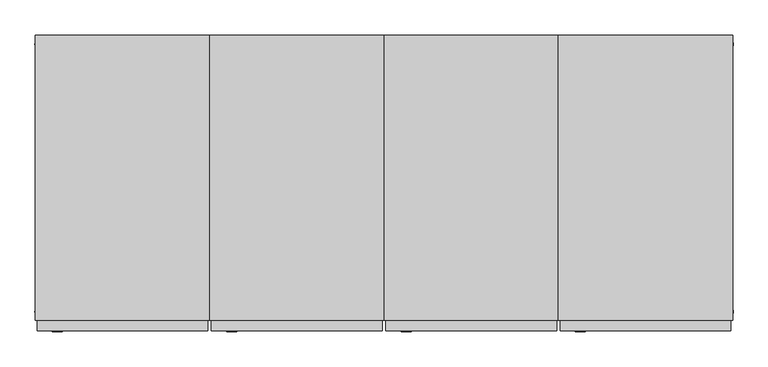
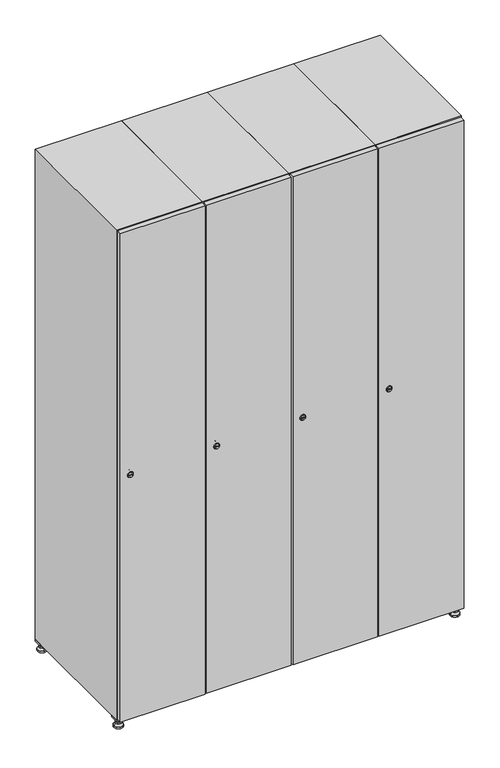
"""IFC4 building model written with IfcOpenShell, lengths in millimetres: furniture geometry."""

from ifc_helpers import new_model, si_unit, point, frame, frame_2d, origin, origin_with_axes, place, context, project, spatial, polyline, circle_curve, trimmed, segment, composite_curve, outline, extrude, faceted_brep, source, transform, mapped, element, save
from ifc_brep_helpers import plane_surface, revolved_surface, advanced_brep


def furniture_bf422cd2(model_context):
    return source(origin(), model_context, "Body", "SolidModel", [
        extrude(outline(polyline([(1000.0, 245.0), (1000.0, 215.0), (970.0, 215.0), (970.0, 245.0), (1000.0, 245.0)]), holes=[polyline([(998.0, 243.0), (972.0, 243.0), (972.0, 217.0), (998.0, 217.0), (998.0, 243.0)])]), frame((0.0, 0.0, 28.5), z_axis=(0.0, 0.0, 1.0), x_axis=(1.0, 0.0, 0.0)), (0.0, 0.0, 1.0), 6.5),
        extrude(outline(polyline([(970.0, -245.0), (970.0, -215.0), (1000.0, -215.0), (1000.0, -245.0), (970.0, -245.0)]), holes=[polyline([(972.0, -243.0), (998.0, -243.0), (998.0, -217.0), (972.0, -217.0), (972.0, -243.0)])]), frame((0.0, 0.0, 28.5), z_axis=(0.0, 0.0, 1.0), x_axis=(1.0, 0.0, 0.0)), (0.0, 0.0, 1.0), 6.5),
        extrude(outline(polyline([(-170.0, 245.0), (-170.0, 215.0), (-200.0, 215.0), (-200.0, 245.0), (-170.0, 245.0)]), holes=[polyline([(-172.0, 243.0), (-198.0, 243.0), (-198.0, 217.0), (-172.0, 217.0), (-172.0, 243.0)])]), frame((0.0, 0.0, 28.5), z_axis=(0.0, 0.0, 1.0), x_axis=(1.0, 0.0, 0.0)), (0.0, 0.0, 1.0), 6.5),
        extrude(outline(polyline([(-170.0, -215.0), (-170.0, -245.0), (-200.0, -245.0), (-200.0, -215.0), (-170.0, -215.0)]), holes=[polyline([(-198.0, -243.0), (-172.0, -243.0), (-172.0, -217.0), (-198.0, -217.0), (-198.0, -243.0)])]), frame((0.0, 0.0, 28.5), z_axis=(0.0, 0.0, 1.0), x_axis=(1.0, 0.0, 0.0)), (0.0, 0.0, 1.0), 6.5),
        extrude(outline(composite_curve([segment(trimmed(circle_curve(frame_2d((-185.0, 230.0)), 5.0), [point((-180.0, 230.0))], [point((-190.0, 230.0))], False, "CARTESIAN"), True, "CONTINUOUS"), segment(trimmed(circle_curve(frame_2d((-185.0, 230.0)), 5.0), [point((-190.0, 230.0))], [point((-180.0, 230.0))], False, "CARTESIAN"), True, "CONTINUOUS")], self_intersect=False)), frame((0.0, 0.0, 19.6), z_axis=(0.0, 0.0, 1.0), x_axis=(1.0, 0.0, 0.0)), (0.0, 0.0, 1.0), 15.4),
        extrude(outline(composite_curve([segment(trimmed(circle_curve(frame_2d((-185.0, -230.0)), 5.0), [point((-180.0, -230.0))], [point((-190.0, -230.0))], False, "CARTESIAN"), True, "CONTINUOUS"), segment(trimmed(circle_curve(frame_2d((-185.0, -230.0)), 5.0), [point((-190.0, -230.0))], [point((-180.0, -230.0))], False, "CARTESIAN"), True, "CONTINUOUS")], self_intersect=False)), frame((0.0, 0.0, 19.6), z_axis=(0.0, 0.0, 1.0), x_axis=(1.0, 0.0, 0.0)), (0.0, 0.0, 1.0), 15.4),
        extrude(outline(composite_curve([segment(trimmed(circle_curve(frame_2d((985.0, 230.0)), 5.0), [point((990.0, 230.0))], [point((980.0, 230.0))], False, "CARTESIAN"), True, "CONTINUOUS"), segment(trimmed(circle_curve(frame_2d((985.0, 230.0)), 5.0), [point((980.0, 230.0))], [point((990.0, 230.0))], False, "CARTESIAN"), True, "CONTINUOUS")], self_intersect=False)), frame((0.0, 0.0, 19.6), z_axis=(0.0, 0.0, 1.0), x_axis=(1.0, 0.0, 0.0)), (0.0, 0.0, 1.0), 15.4),
        extrude(outline(polyline([(973.4529946, 230.0), (979.2264973, 240.0), (990.7735027, 240.0), (996.5470054, 230.0), (990.7735027, 220.0), (979.2264973, 220.0), (973.4529946, 230.0)])), frame((0.0, 0.0, 13.6), z_axis=(0.0, 0.0, 1.0), x_axis=(1.0, 0.0, 0.0)), (0.0, 0.0, 1.0), 6.0),
        extrude(outline(composite_curve([segment(trimmed(circle_curve(frame_2d((985.0, -230.0)), 5.0), [point((990.0, -230.0))], [point((980.0, -230.0))], False, "CARTESIAN"), True, "CONTINUOUS"), segment(trimmed(circle_curve(frame_2d((985.0, -230.0)), 5.0), [point((980.0, -230.0))], [point((990.0, -230.0))], False, "CARTESIAN"), True, "CONTINUOUS")], self_intersect=False)), frame((0.0, 0.0, 19.6), z_axis=(0.0, 0.0, 1.0), x_axis=(1.0, 0.0, 0.0)), (0.0, 0.0, 1.0), 15.4),
        extrude(outline(polyline([(973.4529946, -230.0), (979.2264973, -220.0), (990.7735027, -220.0), (996.5470054, -230.0), (990.7735027, -240.0), (979.2264973, -240.0), (973.4529946, -230.0)])), frame((0.0, 0.0, 13.6), z_axis=(0.0, 0.0, 1.0), x_axis=(1.0, 0.0, 0.0)), (0.0, 0.0, 1.0), 6.0),
        extrude(outline(composite_curve([segment(trimmed(circle_curve(frame_2d((985.0, 230.0)), 5.0), [point((990.0, 230.0))], [point((980.0, 230.0))], False, "CARTESIAN"), True, "CONTINUOUS"), segment(trimmed(circle_curve(frame_2d((985.0, 230.0)), 5.0), [point((980.0, 230.0))], [point((990.0, 230.0))], False, "CARTESIAN"), True, "CONTINUOUS")], self_intersect=False)), frame((0.0, 0.0, 12.1), z_axis=(0.0, 0.0, 1.0), x_axis=(1.0, 0.0, 0.0)), (0.0, 0.0, 1.0), 1.5),
        extrude(outline(composite_curve([segment(trimmed(circle_curve(frame_2d((985.0, -230.0)), 5.0), [point((990.0, -230.0))], [point((980.0, -230.0))], False, "CARTESIAN"), True, "CONTINUOUS"), segment(trimmed(circle_curve(frame_2d((985.0, -230.0)), 5.0), [point((980.0, -230.0))], [point((990.0, -230.0))], False, "CARTESIAN"), True, "CONTINUOUS")], self_intersect=False)), frame((0.0, 0.0, 12.1), z_axis=(0.0, 0.0, 1.0), x_axis=(1.0, 0.0, 0.0)), (0.0, 0.0, 1.0), 1.5),
        extrude(outline(polyline([(-196.5470054, 230.0), (-190.7735027, 240.0), (-179.2264973, 240.0), (-173.4529946, 230.0), (-179.2264973, 220.0), (-190.7735027, 220.0), (-196.5470054, 230.0)])), frame((0.0, 0.0, 13.6), z_axis=(0.0, 0.0, 1.0), x_axis=(1.0, 0.0, 0.0)), (0.0, 0.0, 1.0), 6.0),
        extrude(outline(polyline([(-196.5470054, -230.0), (-190.7735027, -220.0), (-179.2264973, -220.0), (-173.4529946, -230.0), (-179.2264973, -240.0), (-190.7735027, -240.0), (-196.5470054, -230.0)])), frame((0.0, 0.0, 13.6), z_axis=(0.0, 0.0, 1.0), x_axis=(1.0, 0.0, 0.0)), (0.0, 0.0, 1.0), 6.0),
        extrude(outline(composite_curve([segment(trimmed(circle_curve(frame_2d((-185.0, 230.0)), 5.0), [point((-185.0, 235.0))], [point((-185.0, 225.0))], False, "CARTESIAN"), True, "CONTINUOUS"), segment(trimmed(circle_curve(frame_2d((-185.0, 230.0)), 5.0), [point((-185.0, 225.0))], [point((-185.0, 235.0))], False, "CARTESIAN"), True, "CONTINUOUS")], self_intersect=False)), frame((0.0, 0.0, 12.1), z_axis=(0.0, 0.0, 1.0), x_axis=(1.0, 0.0, 0.0)), (0.0, 0.0, 1.0), 1.5),
        extrude(outline(composite_curve([segment(trimmed(circle_curve(frame_2d((-185.0, -230.0)), 5.0), [point((-180.0, -230.0))], [point((-190.0, -230.0))], False, "CARTESIAN"), True, "CONTINUOUS"), segment(trimmed(circle_curve(frame_2d((-185.0, -230.0)), 5.0), [point((-190.0, -230.0))], [point((-180.0, -230.0))], False, "CARTESIAN"), True, "CONTINUOUS")], self_intersect=False)), frame((0.0, 0.0, 12.1), z_axis=(0.0, 0.0, 1.0), x_axis=(1.0, 0.0, 0.0)), (0.0, 0.0, 1.0), 1.5),
        extrude(outline(composite_curve([segment(trimmed(circle_curve(frame_2d((985.0, 230.0)), 15.75), [point((1000.75, 230.0))], [point((969.25, 230.0))], False, "CARTESIAN"), True, "CONTINUOUS"), segment(trimmed(circle_curve(frame_2d((985.0, 230.0)), 15.75), [point((969.25, 230.0))], [point((1000.75, 230.0))], False, "CARTESIAN"), True, "CONTINUOUS")], self_intersect=False)), origin_with_axes(), (0.0, 0.0, 1.0), 5.1),
        extrude(outline(composite_curve([segment(trimmed(circle_curve(frame_2d((985.0, -230.0)), 15.75), [point((985.0, -214.25))], [point((985.0, -245.75))], False, "CARTESIAN"), True, "CONTINUOUS"), segment(trimmed(circle_curve(frame_2d((985.0, -230.0)), 15.75), [point((985.0, -245.75))], [point((985.0, -214.25))], False, "CARTESIAN"), True, "CONTINUOUS")], self_intersect=False)), origin_with_axes(), (0.0, 0.0, 1.0), 5.1),
        extrude(outline(composite_curve([segment(trimmed(circle_curve(frame_2d((-185.0, -230.0)), 15.75), [point((-169.25, -230.0))], [point((-200.75, -230.0))], False, "CARTESIAN"), True, "CONTINUOUS"), segment(trimmed(circle_curve(frame_2d((-185.0, -230.0)), 15.75), [point((-200.75, -230.0))], [point((-169.25, -230.0))], False, "CARTESIAN"), True, "CONTINUOUS")], self_intersect=False)), origin_with_axes(), (0.0, 0.0, 1.0), 5.1),
        extrude(outline(composite_curve([segment(trimmed(circle_curve(frame_2d((-185.0, 230.0)), 15.75), [point((-169.25, 230.0))], [point((-200.75, 230.0))], False, "CARTESIAN"), True, "CONTINUOUS"), segment(trimmed(circle_curve(frame_2d((-185.0, 230.0)), 15.75), [point((-200.75, 230.0))], [point((-169.25, 230.0))], False, "CARTESIAN"), True, "CONTINUOUS")], self_intersect=False)), origin_with_axes(), (0.0, 0.0, 1.0), 5.1),
        advanced_brep(
        [(-185.0, 239.5, 12.1), (-185.0, 220.5, 12.1), (-185.0, 214.25, 5.1), (-185.0, 245.75, 5.1)],
        [
            (0, 1, circle_curve(frame((-185.0, 230.0, 12.1), z_axis=(0.0, 0.0, -1.0), x_axis=(0.0, 1.0, 0.0)), 9.5)),
            (1, 2),
            (2, 3, circle_curve(frame((-185.0, 230.0, 5.1), z_axis=(0.0, 0.0, 1.0), x_axis=(0.0, 1.0, 0.0)), 15.75)),
            (3, 0),
            (1, 0, circle_curve(frame((-185.0, 230.0, 12.1), z_axis=(0.0, 0.0, -1.0), x_axis=(0.0, -1.0, 0.0)), 9.5)),
            (3, 2, circle_curve(frame((-185.0, 230.0, 5.1), z_axis=(0.0, 0.0, 1.0), x_axis=(0.0, -1.0, 0.0)), 15.75)),
        ],
        [
            revolved_surface(polyline([(-185.0, 220.5, 12.099999999999998), (-185.0, 214.25, 5.099999999999998)]), (-185.0, 230.0, 22.74), (0.0, 0.0, -1.0)),
            revolved_surface(polyline([(-185.0, 239.5, 12.099999999999998), (-185.0, 245.75, 5.099999999999998)]), (-185.0, 230.0, 22.74), (0.0, 0.0, -1.0)),
            plane_surface(frame((-185.0, 230.0, 5.1), z_axis=(0.0, 0.0, -1.0), x_axis=(1.0, 0.0, 0.0))),
            plane_surface(frame((-185.0, 230.0, 12.1), z_axis=(0.0, 0.0, 1.0), x_axis=(1.0, 0.0, 0.0))),
        ],
        [
            (0, [[1, 2, 3, 4]]),
            (1, [[5, -4, 6, -2]]),
            (2, [[-3, -6]]),
            (3, [[-5, -1]]),
        ],
    ),
        advanced_brep(
        [(985.0, 239.5, 12.1), (985.0, 220.5, 12.1), (985.0, 214.25, 5.1), (985.0, 245.75, 5.1)],
        [
            (0, 1, circle_curve(frame((985.0, 230.0, 12.1), z_axis=(0.0, 0.0, -1.0), x_axis=(0.0, 1.0, 0.0)), 9.5)),
            (1, 2),
            (2, 3, circle_curve(frame((985.0, 230.0, 5.1), z_axis=(0.0, 0.0, 1.0), x_axis=(0.0, 1.0, 0.0)), 15.75)),
            (3, 0),
            (1, 0, circle_curve(frame((985.0, 230.0, 12.1), z_axis=(0.0, 0.0, -1.0), x_axis=(0.0, -1.0, 0.0)), 9.5)),
            (3, 2, circle_curve(frame((985.0, 230.0, 5.1), z_axis=(0.0, 0.0, 1.0), x_axis=(0.0, -1.0, 0.0)), 15.75)),
        ],
        [
            revolved_surface(polyline([(985.0, 220.5, 12.099999999999998), (985.0, 214.25, 5.099999999999998)]), (985.0, 230.0, 22.74), (0.0, 0.0, -1.0)),
            revolved_surface(polyline([(985.0, 239.5, 12.099999999999998), (985.0, 245.75, 5.099999999999998)]), (985.0, 230.0, 22.74), (0.0, 0.0, -1.0)),
            plane_surface(frame((985.0, 230.0, 5.1), z_axis=(0.0, 0.0, -1.0), x_axis=(1.0, 0.0, 0.0))),
            plane_surface(frame((985.0, 230.0, 12.1), z_axis=(0.0, 0.0, 1.0), x_axis=(1.0, 0.0, 0.0))),
        ],
        [
            (0, [[1, 2, 3, 4]]),
            (1, [[5, -4, 6, -2]]),
            (2, [[-3, -6]]),
            (3, [[-5, -1]]),
        ],
    ),
        advanced_brep(
        [(1000.75, -230.0, 5.1), (969.25, -230.0, 5.1), (975.5, -230.0, 12.1), (994.5, -230.0, 12.1)],
        [
            (0, 1, circle_curve(frame((985.0, -230.0, 5.1), z_axis=(0.0, 0.0, 1.0), x_axis=(1.0, 0.0, 0.0)), 15.75)),
            (1, 2),
            (2, 3, circle_curve(frame((985.0, -230.0, 12.1), z_axis=(0.0, 0.0, -1.0), x_axis=(1.0, 0.0, 0.0)), 9.5)),
            (3, 0),
            (1, 0, circle_curve(frame((985.0, -230.0, 5.1), z_axis=(0.0, 0.0, 1.0), x_axis=(-1.0, 0.0, 0.0)), 15.75)),
            (3, 2, circle_curve(frame((985.0, -230.0, 12.1), z_axis=(0.0, 0.0, -1.0), x_axis=(-1.0, 0.0, 0.0)), 9.5)),
        ],
        [
            revolved_surface(polyline([(994.5, -230.0, 12.099999999999998), (1000.75, -230.0, 5.099999999999998)]), (985.0, -230.0, 22.74), (0.0, 0.0, -1.0)),
            revolved_surface(polyline([(975.5, -230.0, 12.099999999999998), (969.25, -230.0, 5.099999999999998)]), (985.0, -230.0, 22.74), (0.0, 0.0, -1.0)),
            plane_surface(frame((985.0, -230.0, 12.1), z_axis=(0.0, 0.0, 1.0), x_axis=(0.0, 1.0, 0.0))),
            plane_surface(frame((985.0, -230.0, 5.1), z_axis=(0.0, 0.0, -1.0), x_axis=(0.0, 1.0, 0.0))),
        ],
        [
            (0, [[1, 2, 3, 4]]),
            (1, [[5, -4, 6, -2]]),
            (2, [[-3, -6]]),
            (3, [[-5, -1]]),
        ],
    ),
        advanced_brep(
        [(-169.25, -230.0, 5.1), (-200.75, -230.0, 5.1), (-194.5, -230.0, 12.1), (-175.5, -230.0, 12.1)],
        [
            (0, 1, circle_curve(frame((-185.0, -230.0, 5.1), z_axis=(0.0, 0.0, 1.0), x_axis=(1.0, 0.0, 0.0)), 15.75)),
            (1, 2),
            (2, 3, circle_curve(frame((-185.0, -230.0, 12.1), z_axis=(0.0, 0.0, -1.0), x_axis=(1.0, 0.0, 0.0)), 9.5)),
            (3, 0),
            (1, 0, circle_curve(frame((-185.0, -230.0, 5.1), z_axis=(0.0, 0.0, 1.0), x_axis=(-1.0, 0.0, 0.0)), 15.75)),
            (3, 2, circle_curve(frame((-185.0, -230.0, 12.1), z_axis=(0.0, 0.0, -1.0), x_axis=(-1.0, 0.0, 0.0)), 9.5)),
        ],
        [
            revolved_surface(polyline([(-175.5, -230.0, 12.099999999999998), (-169.25, -230.0, 5.099999999999998)]), (-185.0, -230.0, 22.74), (0.0, 0.0, -1.0)),
            revolved_surface(polyline([(-194.5, -230.0, 12.099999999999998), (-200.75, -230.0, 5.099999999999998)]), (-185.0, -230.0, 22.74), (0.0, 0.0, -1.0)),
            plane_surface(frame((-185.0, -230.0, 12.1), z_axis=(0.0, 0.0, 1.0), x_axis=(0.0, 1.0, 0.0))),
            plane_surface(frame((-185.0, -230.0, 5.1), z_axis=(0.0, 0.0, -1.0), x_axis=(0.0, 1.0, 0.0))),
        ],
        [
            (0, [[1, 2, 3, 4]]),
            (1, [[5, -4, 6, -2]]),
            (2, [[-3, -6]]),
            (3, [[-5, -1]]),
        ],
    ),
        extrude(outline(composite_curve([segment(trimmed(circle_curve(frame_2d((935.0, 711.2010534)), 7.0), [point((942.0, 711.2010534))], [point((928.0, 711.2010534))], False, "CARTESIAN"), True, "CONTINUOUS"), segment(polyline([(928.0, 711.2010534), (928.0, 739.2010534)]), True, "CONTINUOUS"), segment(trimmed(circle_curve(frame_2d((935.0, 739.2010534)), 7.0), [point((928.0, 739.2010534))], [point((942.0, 739.2010534))], False, "CARTESIAN"), True, "CONTINUOUS"), segment(polyline([(942.0, 739.2010534), (942.0, 711.2010534)]), True, "CONTINUOUS")], self_intersect=False)), frame((0.0, -245.0, 0.0), z_axis=(0.0, 1.0, 0.0), x_axis=(0.0, 0.0, 1.0)), (0.0, 0.0, 1.0), 2.0),
        advanced_brep(
        [(746.5, -265.2, 935.0), (729.5, -265.2, 935.0), (733.0, -265.2, 933.75), (733.0, -265.2, 936.25), (743.0, -265.2, 936.25), (743.0, -265.2, 933.75), (748.5, -263.0, 935.0), (727.5, -263.0, 935.0), (733.0, -263.0, 936.25), (733.0, -263.0, 933.75), (743.0, -263.0, 933.75), (743.0, -263.0, 936.25)],
        [
            (0, 1, circle_curve(frame((738.0, -265.2, 935.0), z_axis=(0.0, -1.0, 0.0), x_axis=(1.0, 0.0, 0.0)), 8.5)),
            (1, 0, circle_curve(frame((738.0, -265.2, 935.0), z_axis=(0.0, -1.0, 0.0), x_axis=(-1.0, 0.0, 0.0)), 8.5)),
            (2, 3),
            (3, 4),
            (4, 5),
            (5, 2),
            (6, 7, circle_curve(frame((738.0, -263.0, 935.0), z_axis=(0.0, 1.0, 0.0), x_axis=(-1.0, 0.0, 0.0)), 10.5)),
            (7, 6, circle_curve(frame((738.0, -263.0, 935.0), z_axis=(0.0, 1.0, 0.0), x_axis=(1.0, 0.0, 0.0)), 10.5)),
            (8, 9),
            (9, 10),
            (10, 11),
            (11, 8),
            (0, 6),
            (7, 1),
            (8, 3),
            (2, 9),
            (11, 4),
            (10, 5),
        ],
        [
            plane_surface(frame((738.0, -265.2, 935.0), z_axis=(0.0, -1.0, 0.0), x_axis=(0.0, 0.0, 1.0))),
            plane_surface(frame((738.0, -263.0, 935.0), z_axis=(0.0, 1.0, 0.0), x_axis=(0.0, 0.0, 1.0))),
            revolved_surface(polyline([(746.5, -265.2, 935.0), (748.5, -263.0, 935.0)]), (738.0, -274.55, 935.0), (0.0, 1.0, 0.0)),
            revolved_surface(polyline([(729.5, -265.2, 935.0), (727.5, -263.0, 935.0)]), (738.0, -274.55, 935.0), (0.0, 1.0, 0.0)),
            plane_surface(frame((733.0, -263.0, 933.75), z_axis=(1.0, 0.0, 0.0), x_axis=(0.0, -1.0, 0.0))),
            plane_surface(frame((733.0, -263.0, 936.25), z_axis=(0.0, 0.0, -1.0), x_axis=(0.0, -1.0, 0.0))),
            plane_surface(frame((743.0, -263.0, 936.25), z_axis=(-1.0, 0.0, 0.0), x_axis=(0.0, -1.0, 0.0))),
            plane_surface(frame((743.0, -263.0, 933.75), z_axis=(0.0, 0.0, 1.0), x_axis=(0.0, -1.0, 0.0))),
        ],
        [
            (0, [[1, 2], [3, 4, 5, 6]]),
            (1, [[7, 8], [9, 10, 11, 12]]),
            (2, [[-1, 13, -8, 14]]),
            (3, [[-2, -14, -7, -13]]),
            (4, [[15, -3, 16, -9]]),
            (5, [[-15, -12, 17, -4]]),
            (6, [[-17, -11, 18, -5]]),
            (7, [[-16, -6, -18, -10]]),
        ],
    ),
        extrude(outline(polyline([(997.0, -245.0), (997.0, -263.0), (703.0, -263.0), (703.0, -245.0), (997.0, -245.0)])), frame((0.0, 0.0, 38.0), z_axis=(0.0, 0.0, 1.0), x_axis=(1.0, 0.0, 0.0)), (0.0, 0.0, 1.0), 1794.0),
        faceted_brep([(1000.0, -245.0, 35.0), (1000.0, -245.0, 1835.0), (700.0, -245.0, 1835.0), (700.0, -245.0, 35.0), (979.6, -245.0, 1804.8), (979.6, -245.0, 65.2), (720.4, -245.0, 65.2), (720.4, -245.0, 1804.8), (1000.0, 245.0, 35.0), (700.0, 245.0, 35.0), (1000.0, 245.0, 1835.0), (700.0, 245.0, 1835.0), (979.6, 242.0, 1804.8), (979.6, 242.0, 65.2), (700.0, 245.0, 1804.8), (720.4, 242.0, 1804.8), (720.4, 242.0, 65.2)], [[[0, 1, 2, 3], [4, 5, 6, 7]], [[8, 0, 3, 9]], [[1, 0, 8, 10]], [[1, 10, 11, 2]], [[4, 12, 13, 5]], [[9, 3, 2, 11, 14]], [[10, 8, 9, 14, 11]], [[12, 15, 16, 13]], [[15, 7, 6, 16]], [[4, 7, 15, 12]], [[6, 5, 13, 16]]]),
        extrude(outline(composite_curve([segment(trimmed(circle_curve(frame_2d((935.0, 411.2010534)), 7.0), [point((942.0, 411.2010534))], [point((928.0, 411.2010534))], False, "CARTESIAN"), True, "CONTINUOUS"), segment(polyline([(928.0, 411.2010534), (928.0, 439.2010534)]), True, "CONTINUOUS"), segment(trimmed(circle_curve(frame_2d((935.0, 439.2010534)), 7.0), [point((928.0, 439.2010534))], [point((942.0, 439.2010534))], False, "CARTESIAN"), True, "CONTINUOUS"), segment(polyline([(942.0, 439.2010534), (942.0, 411.2010534)]), True, "CONTINUOUS")], self_intersect=False)), frame((0.0, -245.0, 0.0), z_axis=(0.0, 1.0, 0.0), x_axis=(0.0, 0.0, 1.0)), (0.0, 0.0, 1.0), 2.0),
        advanced_brep(
        [(446.5, -265.2, 935.0), (429.5, -265.2, 935.0), (433.0, -265.2, 933.75), (433.0, -265.2, 936.25), (443.0, -265.2, 936.25), (443.0, -265.2, 933.75), (448.5, -263.0, 935.0), (427.5, -263.0, 935.0), (433.0, -263.0, 936.25), (433.0, -263.0, 933.75), (443.0, -263.0, 933.75), (443.0, -263.0, 936.25)],
        [
            (0, 1, circle_curve(frame((438.0, -265.2, 935.0), z_axis=(0.0, -1.0, 0.0), x_axis=(1.0, 0.0, 0.0)), 8.5)),
            (1, 0, circle_curve(frame((438.0, -265.2, 935.0), z_axis=(0.0, -1.0, 0.0), x_axis=(-1.0, 0.0, 0.0)), 8.5)),
            (2, 3),
            (3, 4),
            (4, 5),
            (5, 2),
            (6, 7, circle_curve(frame((438.0, -263.0, 935.0), z_axis=(0.0, 1.0, 0.0), x_axis=(-1.0, 0.0, 0.0)), 10.5)),
            (7, 6, circle_curve(frame((438.0, -263.0, 935.0), z_axis=(0.0, 1.0, 0.0), x_axis=(1.0, 0.0, 0.0)), 10.5)),
            (8, 9),
            (9, 10),
            (10, 11),
            (11, 8),
            (0, 6),
            (7, 1),
            (8, 3),
            (2, 9),
            (11, 4),
            (10, 5),
        ],
        [
            plane_surface(frame((438.0, -265.2, 935.0), z_axis=(0.0, -1.0, 0.0), x_axis=(0.0, 0.0, 1.0))),
            plane_surface(frame((438.0, -263.0, 935.0), z_axis=(0.0, 1.0, 0.0), x_axis=(0.0, 0.0, 1.0))),
            revolved_surface(polyline([(446.5, -265.2, 935.0), (448.5, -263.0, 935.0)]), (438.0, -274.55, 935.0), (0.0, 1.0, 0.0)),
            revolved_surface(polyline([(429.5, -265.2, 935.0), (427.5, -263.0, 935.0)]), (438.0, -274.55, 935.0), (0.0, 1.0, 0.0)),
            plane_surface(frame((433.0, -263.0, 933.75), z_axis=(1.0, 0.0, 0.0), x_axis=(0.0, -1.0, 0.0))),
            plane_surface(frame((433.0, -263.0, 936.25), z_axis=(0.0, 0.0, -1.0), x_axis=(0.0, -1.0, 0.0))),
            plane_surface(frame((443.0, -263.0, 936.25), z_axis=(-1.0, 0.0, 0.0), x_axis=(0.0, -1.0, 0.0))),
            plane_surface(frame((443.0, -263.0, 933.75), z_axis=(0.0, 0.0, 1.0), x_axis=(0.0, -1.0, 0.0))),
        ],
        [
            (0, [[1, 2], [3, 4, 5, 6]]),
            (1, [[7, 8], [9, 10, 11, 12]]),
            (2, [[-1, 13, -8, 14]]),
            (3, [[-2, -14, -7, -13]]),
            (4, [[15, -3, 16, -9]]),
            (5, [[-15, -12, 17, -4]]),
            (6, [[-17, -11, 18, -5]]),
            (7, [[-16, -6, -18, -10]]),
        ],
    ),
        extrude(outline(polyline([(697.0, -245.0), (697.0, -263.0), (403.0, -263.0), (403.0, -245.0), (697.0, -245.0)])), frame((0.0, 0.0, 38.0), z_axis=(0.0, 0.0, 1.0), x_axis=(1.0, 0.0, 0.0)), (0.0, 0.0, 1.0), 1794.0),
        faceted_brep([(700.0, -245.0, 35.0), (700.0, -245.0, 1835.0), (400.0, -245.0, 1835.0), (400.0, -245.0, 35.0), (679.6, -245.0, 1804.8), (679.6, -245.0, 65.2), (420.4, -245.0, 65.2), (420.4, -245.0, 1804.8), (700.0, 245.0, 35.0), (400.0, 245.0, 35.0), (700.0, 245.0, 1835.0), (400.0, 245.0, 1835.0), (679.6, 242.0, 1804.8), (679.6, 242.0, 65.2), (400.0, 245.0, 1804.8), (420.4, 242.0, 1804.8), (420.4, 242.0, 65.2)], [[[0, 1, 2, 3], [4, 5, 6, 7]], [[8, 0, 3, 9]], [[1, 0, 8, 10]], [[1, 10, 11, 2]], [[4, 12, 13, 5]], [[9, 3, 2, 11, 14]], [[10, 8, 9, 14, 11]], [[12, 15, 16, 13]], [[15, 7, 6, 16]], [[4, 7, 15, 12]], [[6, 5, 13, 16]]]),
        extrude(outline(composite_curve([segment(trimmed(circle_curve(frame_2d((935.0, 111.2010534)), 7.0), [point((942.0, 111.2010534))], [point((928.0, 111.2010534))], False, "CARTESIAN"), True, "CONTINUOUS"), segment(polyline([(928.0, 111.2010534), (928.0, 139.2010534)]), True, "CONTINUOUS"), segment(trimmed(circle_curve(frame_2d((935.0, 139.2010534)), 7.0), [point((928.0, 139.2010534))], [point((942.0, 139.2010534))], False, "CARTESIAN"), True, "CONTINUOUS"), segment(polyline([(942.0, 139.2010534), (942.0, 111.2010534)]), True, "CONTINUOUS")], self_intersect=False)), frame((0.0, -245.0, 0.0), z_axis=(0.0, 1.0, 0.0), x_axis=(0.0, 0.0, 1.0)), (0.0, 0.0, 1.0), 2.0),
        advanced_brep(
        [(146.5, -265.2, 935.0), (129.5, -265.2, 935.0), (133.0, -265.2, 933.75), (133.0, -265.2, 936.25), (143.0, -265.2, 936.25), (143.0, -265.2, 933.75), (148.5, -263.0, 935.0), (127.5, -263.0, 935.0), (133.0, -263.0, 936.25), (133.0, -263.0, 933.75), (143.0, -263.0, 933.75), (143.0, -263.0, 936.25)],
        [
            (0, 1, circle_curve(frame((138.0, -265.2, 935.0), z_axis=(0.0, -1.0, 0.0), x_axis=(1.0, 0.0, 0.0)), 8.5)),
            (1, 0, circle_curve(frame((138.0, -265.2, 935.0), z_axis=(0.0, -1.0, 0.0), x_axis=(-1.0, 0.0, 0.0)), 8.5)),
            (2, 3),
            (3, 4),
            (4, 5),
            (5, 2),
            (6, 7, circle_curve(frame((138.0, -263.0, 935.0), z_axis=(0.0, 1.0, 0.0), x_axis=(-1.0, 0.0, 0.0)), 10.5)),
            (7, 6, circle_curve(frame((138.0, -263.0, 935.0), z_axis=(0.0, 1.0, 0.0), x_axis=(1.0, 0.0, 0.0)), 10.5)),
            (8, 9),
            (9, 10),
            (10, 11),
            (11, 8),
            (0, 6),
            (7, 1),
            (8, 3),
            (2, 9),
            (11, 4),
            (10, 5),
        ],
        [
            plane_surface(frame((138.0, -265.2, 935.0), z_axis=(0.0, -1.0, 0.0), x_axis=(0.0, 0.0, 1.0))),
            plane_surface(frame((138.0, -263.0, 935.0), z_axis=(0.0, 1.0, 0.0), x_axis=(0.0, 0.0, 1.0))),
            revolved_surface(polyline([(146.5, -265.2, 935.0), (148.5, -263.0, 935.0)]), (138.0, -274.55, 935.0), (0.0, 1.0, 0.0)),
            revolved_surface(polyline([(129.5, -265.2, 935.0), (127.5, -263.0, 935.0)]), (138.0, -274.55, 935.0), (0.0, 1.0, 0.0)),
            plane_surface(frame((133.0, -263.0, 933.75), z_axis=(1.0, 0.0, 0.0), x_axis=(0.0, -1.0, 0.0))),
            plane_surface(frame((133.0, -263.0, 936.25), z_axis=(0.0, 0.0, -1.0), x_axis=(0.0, -1.0, 0.0))),
            plane_surface(frame((143.0, -263.0, 936.25), z_axis=(-1.0, 0.0, 0.0), x_axis=(0.0, -1.0, 0.0))),
            plane_surface(frame((143.0, -263.0, 933.75), z_axis=(0.0, 0.0, 1.0), x_axis=(0.0, -1.0, 0.0))),
        ],
        [
            (0, [[1, 2], [3, 4, 5, 6]]),
            (1, [[7, 8], [9, 10, 11, 12]]),
            (2, [[-1, 13, -8, 14]]),
            (3, [[-2, -14, -7, -13]]),
            (4, [[15, -3, 16, -9]]),
            (5, [[-15, -12, 17, -4]]),
            (6, [[-17, -11, 18, -5]]),
            (7, [[-16, -6, -18, -10]]),
        ],
    ),
        extrude(outline(polyline([(397.0, -245.0), (397.0, -263.0), (103.0, -263.0), (103.0, -245.0), (397.0, -245.0)])), frame((0.0, 0.0, 38.0), z_axis=(0.0, 0.0, 1.0), x_axis=(1.0, 0.0, 0.0)), (0.0, 0.0, 1.0), 1794.0),
        faceted_brep([(400.0, -245.0, 35.0), (400.0, -245.0, 1835.0), (100.0, -245.0, 1835.0), (100.0, -245.0, 35.0), (379.6, -245.0, 1804.8), (379.6, -245.0, 65.2), (120.4, -245.0, 65.2), (120.4, -245.0, 1804.8), (400.0, 245.0, 35.0), (100.0, 245.0, 35.0), (400.0, 245.0, 1835.0), (100.0, 245.0, 1835.0), (379.6, 242.0, 1804.8), (379.6, 242.0, 65.2), (100.0, 245.0, 1804.8), (120.4, 242.0, 1804.8), (120.4, 242.0, 65.2)], [[[0, 1, 2, 3], [4, 5, 6, 7]], [[8, 0, 3, 9]], [[1, 0, 8, 10]], [[1, 10, 11, 2]], [[4, 12, 13, 5]], [[9, 3, 2, 11, 14]], [[10, 8, 9, 14, 11]], [[12, 15, 16, 13]], [[15, 7, 6, 16]], [[4, 7, 15, 12]], [[6, 5, 13, 16]]]),
        extrude(outline(composite_curve([segment(trimmed(circle_curve(frame_2d((935.0, -188.7989466)), 7.0), [point((942.0, -188.7989466))], [point((928.0, -188.7989466))], False, "CARTESIAN"), True, "CONTINUOUS"), segment(polyline([(928.0, -188.7989466), (928.0, -160.7989466)]), True, "CONTINUOUS"), segment(trimmed(circle_curve(frame_2d((935.0, -160.7989466)), 7.0), [point((928.0, -160.7989466))], [point((942.0, -160.7989466))], False, "CARTESIAN"), True, "CONTINUOUS"), segment(polyline([(942.0, -160.7989466), (942.0, -188.7989466)]), True, "CONTINUOUS")], self_intersect=False)), frame((0.0, -245.0, 0.0), z_axis=(0.0, 1.0, 0.0), x_axis=(0.0, 0.0, 1.0)), (0.0, 0.0, 1.0), 2.0),
        advanced_brep(
        [(-153.5, -265.2, 935.0), (-170.5, -265.2, 935.0), (-167.0, -265.2, 933.75), (-167.0, -265.2, 936.25), (-157.0, -265.2, 936.25), (-157.0, -265.2, 933.75), (-151.5, -263.0, 935.0), (-172.5, -263.0, 935.0), (-167.0, -263.0, 936.25), (-167.0, -263.0, 933.75), (-157.0, -263.0, 933.75), (-157.0, -263.0, 936.25)],
        [
            (0, 1, circle_curve(frame((-162.0, -265.2, 935.0), z_axis=(0.0, -1.0, 0.0), x_axis=(1.0, 0.0, 0.0)), 8.5)),
            (1, 0, circle_curve(frame((-162.0, -265.2, 935.0), z_axis=(0.0, -1.0, 0.0), x_axis=(-1.0, 0.0, 0.0)), 8.5)),
            (2, 3),
            (3, 4),
            (4, 5),
            (5, 2),
            (6, 7, circle_curve(frame((-162.0, -263.0, 935.0), z_axis=(0.0, 1.0, 0.0), x_axis=(-1.0, 0.0, 0.0)), 10.5)),
            (7, 6, circle_curve(frame((-162.0, -263.0, 935.0), z_axis=(0.0, 1.0, 0.0), x_axis=(1.0, 0.0, 0.0)), 10.5)),
            (8, 9),
            (9, 10),
            (10, 11),
            (11, 8),
            (0, 6),
            (7, 1),
            (8, 3),
            (2, 9),
            (11, 4),
            (10, 5),
        ],
        [
            plane_surface(frame((-162.0, -265.2, 935.0), z_axis=(0.0, -1.0, 0.0), x_axis=(0.0, 0.0, 1.0))),
            plane_surface(frame((-162.0, -263.0, 935.0), z_axis=(0.0, 1.0, 0.0), x_axis=(0.0, 0.0, 1.0))),
            revolved_surface(polyline([(-153.5, -265.2, 935.0), (-151.5, -263.0, 935.0)]), (-162.0, -274.55, 935.0), (0.0, 1.0, 0.0)),
            revolved_surface(polyline([(-170.5, -265.2, 935.0), (-172.5, -263.0, 935.0)]), (-162.0, -274.55, 935.0), (0.0, 1.0, 0.0)),
            plane_surface(frame((-167.0, -263.0, 933.75), z_axis=(1.0, 0.0, 0.0), x_axis=(0.0, -1.0, 0.0))),
            plane_surface(frame((-167.0, -263.0, 936.25), z_axis=(0.0, 0.0, -1.0), x_axis=(0.0, -1.0, 0.0))),
            plane_surface(frame((-157.0, -263.0, 936.25), z_axis=(-1.0, 0.0, 0.0), x_axis=(0.0, -1.0, 0.0))),
            plane_surface(frame((-157.0, -263.0, 933.75), z_axis=(0.0, 0.0, 1.0), x_axis=(0.0, -1.0, 0.0))),
        ],
        [
            (0, [[1, 2], [3, 4, 5, 6]]),
            (1, [[7, 8], [9, 10, 11, 12]]),
            (2, [[-1, 13, -8, 14]]),
            (3, [[-2, -14, -7, -13]]),
            (4, [[15, -3, 16, -9]]),
            (5, [[-15, -12, 17, -4]]),
            (6, [[-17, -11, 18, -5]]),
            (7, [[-16, -6, -18, -10]]),
        ],
    ),
        extrude(outline(polyline([(97.0, -245.0), (97.0, -263.0), (-197.0, -263.0), (-197.0, -245.0), (97.0, -245.0)])), frame((0.0, 0.0, 38.0), z_axis=(0.0, 0.0, 1.0), x_axis=(1.0, 0.0, 0.0)), (0.0, 0.0, 1.0), 1794.0),
        faceted_brep([(100.0, -245.0, 35.0), (100.0, -245.0, 1835.0), (-200.0, -245.0, 1835.0), (-200.0, -245.0, 35.0), (79.6, -245.0, 1804.8), (79.6, -245.0, 65.2), (-179.6, -245.0, 65.2), (-179.6, -245.0, 1804.8), (100.0, 245.0, 35.0), (-200.0, 245.0, 35.0), (100.0, 245.0, 1835.0), (-200.0, 245.0, 1835.0), (79.6, 242.0, 1804.8), (79.6, 242.0, 65.2), (-200.0, 245.0, 1804.8), (-179.6, 242.0, 1804.8), (-179.6, 242.0, 65.2)], [[[0, 1, 2, 3], [4, 5, 6, 7]], [[8, 0, 3, 9]], [[1, 0, 8, 10]], [[1, 10, 11, 2]], [[4, 12, 13, 5]], [[9, 3, 2, 11, 14]], [[10, 8, 9, 14, 11]], [[12, 15, 16, 13]], [[15, 7, 6, 16]], [[4, 7, 15, 12]], [[6, 5, 13, 16]]]),
    ])


if __name__ == "__main__":
    model = new_model("IFC4")
    model_context = context("Model", 3, world=origin())
    ifc_project = project(units=[si_unit("LENGTHUNIT", "METRE", prefix="MILLI")], contexts=[model_context])
    site = spatial("IfcSite", under=ifc_project)
    building = spatial("IfcBuilding", under=site)
    placement = place(None, origin())
    furniture_shape = furniture_bf422cd2(model_context)
    element("IfcFurniture", 1, at=placement, inside=building, context=model_context, shape_type="MappedRepresentation", body=[
        mapped(furniture_shape, transform((0.0, 0.0, 0.0), x_axis=(1.0, 0.0, 0.0), y_axis=(0.0, 1.0, 0.0), z_axis=(0.0, 0.0, 1.0))),
    ])
    save(model, "model.ifc")
